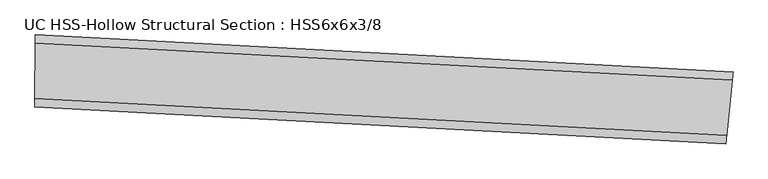
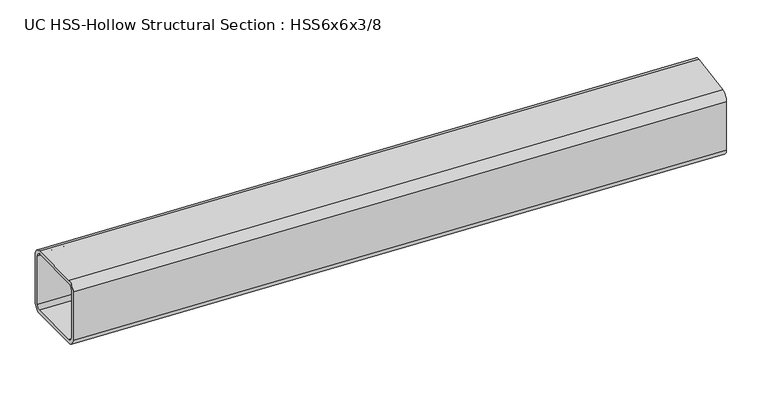
"""IFC4 building model written with IfcOpenShell, lengths in millimetres: beam geometry, UC HSS-Hollow Structural Section : HSS6x6x3/8."""

from ifc_helpers import new_model, si_unit, point, frame, origin, place, context, project, spatial, polyline, circle_curve, ellipse_curve, trimmed, source, transform, mapped, element, save
from ifc_brep_helpers import plane_surface, cylinder_surface, revolved_surface, advanced_brep


def uc_hss_hollow_structural_section_hss6x6x3_8_76f2939a(model_context):
    return source(origin(), model_context, "Body", "AdvancedBrep", [
        advanced_brep(
        [(1552.1029288, -2.3599758, 58.4708), (1550.3127816, -19.9985671, 76.2), (1538.5049906, -136.3425136, 76.2), (1536.7148434, -153.981105, 58.4708), (1536.7148434, -153.981105, -58.4708), (1538.5049906, -136.3425136, -76.2), (1550.3127816, -19.9985671, -76.2), (1552.1029288, -2.3599758, -58.4708), (1538.5049906, -136.3425136, 67.3354), (1550.3127816, -19.9985671, 67.3354), (1551.2078552, -11.1792714, 58.4708), (1551.2078552, -11.1792714, -58.4708), (1550.3127816, -19.9985671, -67.3354), (1538.5049906, -136.3425136, -67.3354), (1537.609917, -145.1618093, -58.4708), (1537.609917, -145.1618093, 58.4708), (82.9545914, 75.9761624, 58.4708), (82.9545914, 75.9761624, -58.4708), (82.8589141, 58.2472205, -76.2), (82.2278281, -58.6926766, -76.2), (82.1321509, -76.4216184, -58.4708), (82.1321509, -76.4216184, 58.4708), (82.2278281, -58.6926766, 76.2), (82.8589141, 58.2472205, 76.2), (82.2278281, -58.6926766, 67.3354), (82.1799895, -67.5571475, 58.4708), (82.1799895, -67.5571475, -58.4708), (82.2278281, -58.6926766, -67.3354), (82.8589141, 58.2472205, -67.3354), (82.9067528, 67.1116914, -58.4708), (82.9067528, 67.1116914, 58.4708), (82.8589141, 58.2472205, 67.3354)],
        [
            (0, 1, circle_curve(frame((1550.3127816, -19.9985671, 58.4708), z_axis=(0.9948892993288404, -0.10097168950240025, 0.0), x_axis=(-0.10097168950240025, -0.9948892993288404, 0.0)), 17.7292)),
            (1, 2),
            (2, 3, circle_curve(frame((1538.5049906, -136.3425136, 58.4708), z_axis=(0.9948892993288404, -0.10097168950240025, 0.0), x_axis=(-0.10097168950240025, -0.9948892993288404, 0.0)), 17.7292)),
            (3, 4),
            (4, 5, circle_curve(frame((1538.5049906, -136.3425136, -58.4708), z_axis=(0.9948892993288404, -0.10097168950240025, 0.0), x_axis=(-0.10097168950240025, -0.9948892993288404, 0.0)), 17.7292)),
            (5, 6),
            (6, 7, circle_curve(frame((1550.3127816, -19.9985671, -58.4708), z_axis=(0.9948892993288404, -0.10097168950240025, 0.0), x_axis=(-0.10097168950240025, -0.9948892993288404, 0.0)), 17.7292)),
            (7, 0),
            (8, 9),
            (9, 10, circle_curve(frame((1550.3127816, -19.9985671, 58.4708), z_axis=(-0.9948892993288404, 0.10097168950240025, 0.0), x_axis=(-0.10097168950240025, -0.9948892993288404, 0.0)), 8.8646)),
            (10, 11),
            (11, 12, circle_curve(frame((1550.3127816, -19.9985671, -58.4708), z_axis=(-0.9948892993288404, 0.10097168950240025, 0.0), x_axis=(-0.10097168950240025, -0.9948892993288404, 0.0)), 8.8646)),
            (12, 13),
            (13, 14, circle_curve(frame((1538.5049906, -136.3425136, -58.4708), z_axis=(-0.9948892993288404, 0.10097168950240025, 0.0), x_axis=(-0.10097168950240025, -0.9948892993288404, 0.0)), 8.8646)),
            (14, 15),
            (15, 8, circle_curve(frame((1538.5049906, -136.3425136, 58.4708), z_axis=(-0.9948892993288404, 0.10097168950240025, 0.0), x_axis=(-0.10097168950240025, -0.9948892993288404, 0.0)), 8.8646)),
            (16, 17),
            (17, 18, circle_curve(frame((82.8589141, 58.2472205, -58.4708), z_axis=(-0.9999854382948642, 0.005396591352702318, 0.0), x_axis=(-0.005396591352702318, -0.9999854382948642, 0.0)), 17.7292)),
            (18, 19),
            (19, 20, circle_curve(frame((82.2278281, -58.6926766, -58.4708), z_axis=(-0.9999854382948642, 0.005396591352702318, 0.0), x_axis=(-0.005396591352702318, -0.9999854382948642, 0.0)), 17.7292)),
            (20, 21),
            (21, 22, circle_curve(frame((82.2278281, -58.6926766, 58.4708), z_axis=(-0.9999854382948642, 0.005396591352702318, 0.0), x_axis=(-0.005396591352702318, -0.9999854382948642, 0.0)), 17.7292)),
            (22, 23),
            (23, 16, circle_curve(frame((82.8589141, 58.2472205, 58.4708), z_axis=(-0.9999854382948642, 0.005396591352702318, 0.0), x_axis=(-0.005396591352702318, -0.9999854382948642, 0.0)), 17.7292)),
            (24, 25, circle_curve(frame((82.2278281, -58.6926766, 58.4708), z_axis=(0.9999854382948642, -0.005396591352702318, 0.0), x_axis=(-0.005396591352702318, -0.9999854382948642, 0.0)), 8.8646)),
            (25, 26),
            (26, 27, circle_curve(frame((82.2278281, -58.6926766, -58.4708), z_axis=(0.9999854382948642, -0.005396591352702318, 0.0), x_axis=(-0.005396591352702318, -0.9999854382948642, 0.0)), 8.8646)),
            (27, 28),
            (28, 29, circle_curve(frame((82.8589141, 58.2472205, -58.4708), z_axis=(0.9999854382948642, -0.005396591352702318, 0.0), x_axis=(-0.005396591352702318, -0.9999854382948642, 0.0)), 8.8646)),
            (29, 30),
            (30, 31, circle_curve(frame((82.8589141, 58.2472205, 58.4708), z_axis=(0.9999854382948642, -0.005396591352702318, 0.0), x_axis=(-0.005396591352702318, -0.9999854382948642, 0.0)), 8.8646)),
            (31, 24),
            (0, 16, circle_curve(frame((0.0, -15295.4644388, 58.4708), z_axis=(0.0, 0.0, 1.0), x_axis=(-0.22398465108488255, -0.9745926718780433, 0.0)), 15371.6644388)),
            (23, 1, circle_curve(frame((0.0, -15295.4644388, 76.2), z_axis=(0.0, 0.0, -1.0), x_axis=(-0.22398465108488255, -0.9745926718780433, 0.0)), 15353.9352388)),
            (22, 2, circle_curve(frame((0.0, -15295.4644388, 76.2), z_axis=(0.0, 0.0, -1.0), x_axis=(-0.22398465108488255, -0.9745926718780433, 0.0)), 15236.9936388)),
            (21, 3, circle_curve(frame((0.0, -15295.4644388, 58.4708), z_axis=(0.0, 0.0, -1.0), x_axis=(-0.22398465108488255, -0.9745926718780433, 0.0)), 15219.2644388)),
            (20, 4, circle_curve(frame((0.0, -15295.4644388, -58.4708), z_axis=(0.0, 0.0, -1.0), x_axis=(-0.22398465108488255, -0.9745926718780433, 0.0)), 15219.2644388)),
            (19, 5, circle_curve(frame((0.0, -15295.4644388, -76.2), z_axis=(0.0, 0.0, -1.0), x_axis=(-0.22398465108488255, -0.9745926718780433, 0.0)), 15236.9936388)),
            (18, 6, circle_curve(frame((0.0, -15295.4644388, -76.2), z_axis=(0.0, 0.0, -1.0), x_axis=(-0.22398465108488255, -0.9745926718780433, 0.0)), 15353.9352388)),
            (17, 7, circle_curve(frame((0.0, -15295.4644388, -58.4708), z_axis=(0.0, 0.0, -1.0), x_axis=(-0.22398465108488255, -0.9745926718780433, 0.0)), 15371.6644388)),
            (8, 24, circle_curve(frame((0.0, -15295.4644388, 67.3354), z_axis=(0.0, 0.0, 1.0), x_axis=(-0.22398465108488255, -0.9745926718780433, 0.0)), 15236.9936388)),
            (31, 9, circle_curve(frame((0.0, -15295.4644388, 67.3354), z_axis=(0.0, 0.0, -1.0), x_axis=(-0.22398465108488255, -0.9745926718780433, 0.0)), 15353.9352388)),
            (30, 10, circle_curve(frame((0.0, -15295.4644388, 58.4708), z_axis=(0.0, 0.0, -1.0), x_axis=(-0.22398465108488255, -0.9745926718780433, 0.0)), 15362.7998388)),
            (29, 11, circle_curve(frame((0.0, -15295.4644388, -58.4708), z_axis=(0.0, 0.0, -1.0), x_axis=(-0.22398465108488255, -0.9745926718780433, 0.0)), 15362.7998388)),
            (28, 12, circle_curve(frame((0.0, -15295.4644388, -67.3354), z_axis=(0.0, 0.0, -1.0), x_axis=(-0.22398465108488255, -0.9745926718780433, 0.0)), 15353.9352388)),
            (27, 13, circle_curve(frame((0.0, -15295.4644388, -67.3354), z_axis=(0.0, 0.0, -1.0), x_axis=(-0.22398465108488255, -0.9745926718780433, 0.0)), 15236.9936388)),
            (26, 14, circle_curve(frame((0.0, -15295.4644388, -58.4708), z_axis=(0.0, 0.0, -1.0), x_axis=(-0.22398465108488255, -0.9745926718780433, 0.0)), 15228.1290388)),
            (25, 15, circle_curve(frame((0.0, -15295.4644388, 58.4708), z_axis=(0.0, 0.0, -1.0), x_axis=(-0.22398465108488255, -0.9745926718780433, 0.0)), 15228.1290388)),
        ],
        [
            plane_surface(frame((1544.4088861, -78.1705404, 0.0), z_axis=(0.9948892993288397, -0.10097168950240666, 0.0), x_axis=(0.0, 0.0, 1.0))),
            plane_surface(frame((82.5433711, -0.222728, 0.0), z_axis=(-0.9999854382948643, 0.005396591352708813, 0.0), x_axis=(0.0, 0.0, 1.0))),
            revolved_surface(trimmed(ellipse_curve(frame((-3439.0458272, -30259.297207, 58.4708), z_axis=(0.9745926718780448, -0.22398465108487625, 0.0), x_axis=(0.22398465108487625, 0.9745926718780448, 0.0)), 17.7292, 17.7292), [point((-3439.0458272, -30259.297207, 76.2))], [point((-3443.0168959, -30276.5759554, 58.4708))], True, "CARTESIAN"), (0.0, -15295.4644388, 0.0), (0.0, 0.0, -1.0)),
            plane_surface(frame((0.0, -15295.4644388, 76.2), z_axis=(0.0, 0.0, 1.0), x_axis=(-0.22398465108488255, -0.9745926718780433, 0.0))),
            revolved_surface(trimmed(ellipse_curve(frame((-3412.8527038, -30145.3267806, 58.4708), z_axis=(0.9745926718780448, -0.22398465108487625, 0.0), x_axis=(0.22398465108487625, 0.9745926718780448, 0.0)), 17.7292, 17.7292), [point((-3408.8816351, -30128.0480322, 58.4708))], [point((-3412.8527038, -30145.3267806, 76.2))], True, "CARTESIAN"), (0.0, -15295.4644388, 0.0), (0.0, 0.0, -1.0)),
            revolved_surface(polyline([(-3408.881635093179, -30128.04803222858, -58.4708), (-3408.881635093179, -30128.04803222858, 58.4708)]), (0.0, -15295.4644388, 0.0), (0.0, 0.0, -1.0)),
            revolved_surface(trimmed(ellipse_curve(frame((-3412.8527038, -30145.3267806, -58.4708), z_axis=(0.9745926718780448, -0.22398465108487625, 0.0), x_axis=(0.22398465108487625, 0.9745926718780448, 0.0)), 17.7292, 17.7292), [point((-3412.8527038, -30145.3267806, -76.2))], [point((-3408.8816351, -30128.0480322, -58.4708))], True, "CARTESIAN"), (0.0, -15295.4644388, 0.0), (0.0, 0.0, -1.0)),
            plane_surface(frame((0.0, -15295.4644388, -76.2), z_axis=(0.0, 0.0, -1.0), x_axis=(-0.22398465108488255, -0.9745926718780433, 0.0))),
            revolved_surface(trimmed(ellipse_curve(frame((-3439.0458272, -30259.297207, -58.4708), z_axis=(0.9745926718780448, -0.22398465108487625, 0.0), x_axis=(0.22398465108487625, 0.9745926718780448, 0.0)), 17.7292, 17.7292), [point((-3443.0168959, -30276.5759554, -58.4708))], [point((-3439.0458272, -30259.297207, -76.2))], True, "CARTESIAN"), (0.0, -15295.4644388, 0.0), (0.0, 0.0, -1.0)),
            cylinder_surface(frame((0.0, -15295.4644388, 0.0), z_axis=(0.0, 0.0, -1.0), x_axis=(-0.22398465108488255, -0.9745926718780433, 0.0)), 15371.6644388),
            plane_surface(frame((0.0, -15295.4644388, 67.3354), z_axis=(0.0, 0.0, -1.0), x_axis=(-0.22398465108488255, -0.9745926718780433, 0.0))),
            revolved_surface(trimmed(ellipse_curve(frame((-3439.0458272, -30259.297207, 58.4708), z_axis=(-0.9745926718780448, 0.22398465108487625, 0.0), x_axis=(0.22398465108487625, 0.9745926718780448, 0.0)), 8.8646, 8.8646), [point((-3441.0313616, -30267.9365812, 58.4708))], [point((-3439.0458272, -30259.297207, 67.3354))], True, "CARTESIAN"), (0.0, -15295.4644388, 0.0), (0.0, 0.0, -1.0)),
            revolved_surface(polyline([(-3441.031361580508, -30267.936581223665, -58.4708), (-3441.031361580508, -30267.936581223665, 58.4708)]), (0.0, -15295.4644388, 0.0), (0.0, 0.0, -1.0)),
            revolved_surface(trimmed(ellipse_curve(frame((-3439.0458272, -30259.297207, -58.4708), z_axis=(-0.9745926718780448, 0.22398465108487625, 0.0), x_axis=(0.22398465108487625, 0.9745926718780448, 0.0)), 8.8646, 8.8646), [point((-3439.0458272, -30259.297207, -67.3354))], [point((-3441.0313616, -30267.9365812, -58.4708))], True, "CARTESIAN"), (0.0, -15295.4644388, 0.0), (0.0, 0.0, -1.0)),
            plane_surface(frame((0.0, -15295.4644388, -67.3354), z_axis=(0.0, 0.0, 1.0), x_axis=(-0.22398465108488255, -0.9745926718780433, 0.0))),
            revolved_surface(trimmed(ellipse_curve(frame((-3412.8527038, -30145.3267806, -58.4708), z_axis=(-0.9745926718780448, 0.22398465108487625, 0.0), x_axis=(0.22398465108487625, 0.9745926718780448, 0.0)), 8.8646, 8.8646), [point((-3410.8671694, -30136.6874064, -58.4708))], [point((-3412.8527038, -30145.3267806, -67.3354))], True, "CARTESIAN"), (0.0, -15295.4644388, 0.0), (0.0, 0.0, -1.0)),
            cylinder_surface(frame((0.0, -15295.4644388, 0.0), z_axis=(0.0, 0.0, -1.0), x_axis=(-0.22398465108488255, -0.9745926718780433, 0.0)), 15228.1290388),
            revolved_surface(trimmed(ellipse_curve(frame((-3412.8527038, -30145.3267806, 58.4708), z_axis=(-0.9745926718780448, 0.22398465108487625, 0.0), x_axis=(0.22398465108487625, 0.9745926718780448, 0.0)), 8.8646, 8.8646), [point((-3412.8527038, -30145.3267806, 67.3354))], [point((-3410.8671694, -30136.6874064, 58.4708))], True, "CARTESIAN"), (0.0, -15295.4644388, 0.0), (0.0, 0.0, -1.0)),
        ],
        [
            (0, [[1, 2, 3, 4, 5, 6, 7, 8], [9, 10, 11, 12, 13, 14, 15, 16]]),
            (1, [[17, 18, 19, 20, 21, 22, 23, 24], [25, 26, 27, 28, 29, 30, 31, 32]]),
            (2, [[-1, 33, -24, 34]]),
            (3, [[-2, -34, -23, 35]]),
            (4, [[-3, -35, -22, 36]]),
            (5, [[-4, -36, -21, 37]]),
            (6, [[-5, -37, -20, 38]]),
            (7, [[-6, -38, -19, 39]]),
            (8, [[-7, -39, -18, 40]]),
            (9, [[-8, -40, -17, -33]]),
            (10, [[-9, 41, -32, 42]]),
            (11, [[-10, -42, -31, 43]]),
            (12, [[-11, -43, -30, 44]]),
            (13, [[-12, -44, -29, 45]]),
            (14, [[-13, -45, -28, 46]]),
            (15, [[-14, -46, -27, 47]]),
            (16, [[-15, -47, -26, 48]]),
            (17, [[-16, -48, -25, -41]]),
        ],
    ),
    ])


if __name__ == "__main__":
    model = new_model("IFC4")
    model_context = context("Model", 3, world=origin())
    ifc_project = project(units=[si_unit("LENGTHUNIT", "METRE", prefix="MILLI")], contexts=[model_context])
    site = spatial("IfcSite", under=ifc_project)
    building = spatial("IfcBuilding", under=site)
    placement = place(None, origin())
    uc_hss_hollow_structural_section_hss6x6x3_8_shape = uc_hss_hollow_structural_section_hss6x6x3_8_76f2939a(model_context)
    element("IfcBeam", 1, ObjectType="UC HSS-Hollow Structural Section : HSS6x6x3/8", at=placement, inside=building, context=model_context, shape_type="MappedRepresentation", body=[
        mapped(uc_hss_hollow_structural_section_hss6x6x3_8_shape, transform((0.0, 0.0, 0.0), x_axis=(1.0, 0.0, 0.0), y_axis=(0.0, 1.0, 0.0), z_axis=(0.0, 0.0, 1.0))),
    ])
    save(model, "model.ifc")
